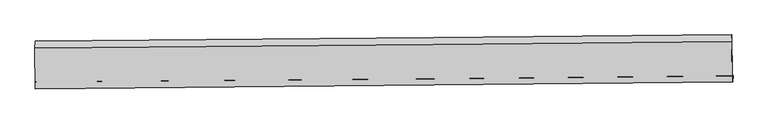
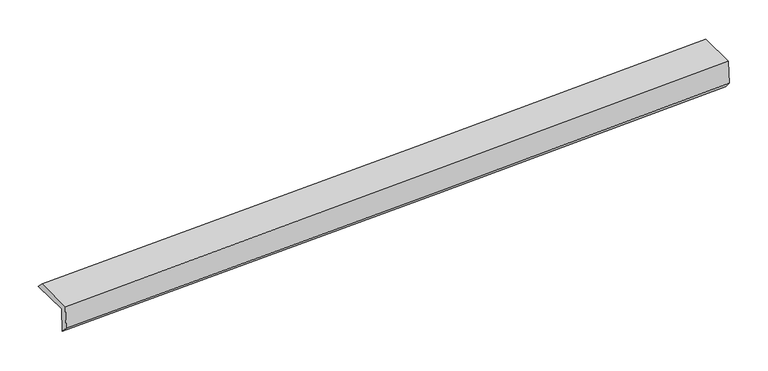
"""IFC4 building model written with IfcOpenShell, lengths in millimetres: proxy geometry."""

import ifcopenshell
import ifcopenshell.guid

model = None  # the IFC model being written
_history = None  # IfcOwnerHistory: only IFC2X3 demands one
_inside = {}  # id of a spatial element -> (the spatial element, [elements in it])
_under = {}  # id of a project, library or spatial element -> (it, [spatial elements below it])
_declared = {}  # id of a project -> (the project, [libraries it declares])
_typed = {}  # id of a type object -> (the type object, [elements of that type])
_made_of = {}  # id of a material, layer set ... -> (it, [elements and type objects made of it])


def new_model(schema):
    """Start an empty IFC model of exactly this schema.

    Asked for "IFC4X3", IfcOpenShell would pick the latest addendum, in which some entities
    have other attributes; the version numbers below select the first issue.
    IFC2X3 requires an IfcOwnerHistory on every rooted entity: one is made here for all.
    """
    global model, _history
    if schema == "IFC4X3":
        model = ifcopenshell.file(schema_version=(4, 3, 0, 0))
    else:
        model = ifcopenshell.file(schema=schema)
    _inside.clear()
    _under.clear()
    _declared.clear()
    _typed.clear()
    _made_of.clear()
    _history = None
    if model.schema == "IFC2X3":
        org = make("IfcOrganization", Name="unknown")
        user = make(
            "IfcPersonAndOrganization",
            ThePerson=make("IfcPerson", FamilyName="unknown"),
            TheOrganization=org,
        )
        app = make(
            "IfcApplication",
            ApplicationDeveloper=org,
            Version="unknown",
            ApplicationFullName="unknown",
            ApplicationIdentifier="unknown",
        )
        _history = make(
            "IfcOwnerHistory",
            OwningUser=user,
            OwningApplication=app,
            ChangeAction="ADDED",
            CreationDate=0,
        )
    return model


def make(cls, **values):
    """One entity of the class cls with the attributes given. An attribute that is None is left unset."""
    return model.create_entity(
        cls, **{name: value for name, value in values.items() if value is not None}
    )


def rooted(cls, **values):
    """An entity with a GlobalId (a new one), such as an element, a storey or a relation."""
    return make(cls, GlobalId=ifcopenshell.guid.new(), OwnerHistory=_history, **values)


def si_unit(unit_type, name, prefix=None):
    """IfcSIUnit, for example si_unit("LENGTHUNIT", "METRE", prefix="MILLI")."""
    return make("IfcSIUnit", UnitType=unit_type, Prefix=prefix, Name=name)


def assignment(units):
    """IfcUnitAssignment: the units of a project."""
    return None if units is None else make("IfcUnitAssignment", Units=units)


def point(xyz):
    """IfcCartesianPoint."""
    return None if xyz is None else make("IfcCartesianPoint", Coordinates=xyz)


def direction(xyz):
    """IfcDirection."""
    return None if xyz is None else make("IfcDirection", DirectionRatios=xyz)


def frame(location, z_axis=None, x_axis=None):
    """IfcAxis2Placement3D, a coordinate frame: its origin and axes. An axis left out is left unset."""
    return make(
        "IfcAxis2Placement3D",
        Location=point(location),
        Axis=direction(z_axis),
        RefDirection=direction(x_axis),
    )


def origin():
    """The frame at (0, 0, 0) with its axes left unset."""
    return frame((0.0, 0.0, 0.0))


def place(relative_to, where):
    """IfcLocalPlacement: puts the frame where relative to a parent placement (None: the world)."""
    return make(
        "IfcLocalPlacement", PlacementRelTo=relative_to, RelativePlacement=where
    )


def context(
    kind, dimensions, precision=None, world=None, true_north=None, identifier=None
):
    """IfcGeometricRepresentationContext, for example the 3D "Model" context."""
    return make(
        "IfcGeometricRepresentationContext",
        ContextIdentifier=identifier,
        ContextType=kind,
        CoordinateSpaceDimension=dimensions,
        Precision=precision,
        WorldCoordinateSystem=world,
        TrueNorth=true_north,
    )


def project(units=None, contexts=None):
    """IfcProject with its units and contexts."""
    return rooted(
        "IfcProject",
        Name="project",
        RepresentationContexts=contexts,
        UnitsInContext=assignment(units),
    )


def spatial(cls, under=None, at=None, **own):
    """A site, building, storey or space (cls), placed at a placement, below another one or the project."""
    s = rooted(cls, ObjectPlacement=at, **own)
    if under is not None:
        _under.setdefault(under.id(), (under, []))[1].append(s)
    return s


def shape(context_of_items, identifier, shape_type, items):
    """IfcShapeRepresentation: the items that make up one representation, for example the "Body"."""
    return make(
        "IfcShapeRepresentation",
        ContextOfItems=context_of_items,
        RepresentationIdentifier=identifier,
        RepresentationType=shape_type,
        Items=items,
    )


def source(mapping_origin, context_of_items, identifier, shape_type, items):
    """IfcRepresentationMap: a shape defined once, which mapped items show again and again."""
    return make(
        "IfcRepresentationMap",
        MappingOrigin=mapping_origin,
        MappedRepresentation=shape(context_of_items, identifier, shape_type, items),
    )


def transform(
    local_origin,
    x_axis=None,
    y_axis=None,
    z_axis=None,
    scale=None,
    scale2=None,
    scale3=None,
    uniform=True,
):
    """IfcCartesianTransformationOperator3D, or its non-uniform kind. x_axis, y_axis, z_axis: its Axis1, 2, 3."""
    if uniform:
        return make(
            "IfcCartesianTransformationOperator3D",
            Axis1=direction(x_axis),
            Axis2=direction(y_axis),
            LocalOrigin=point(local_origin),
            Scale=scale,
            Axis3=direction(z_axis),
        )
    return make(
        "IfcCartesianTransformationOperator3DnonUniform",
        Axis1=direction(x_axis),
        Axis2=direction(y_axis),
        LocalOrigin=point(local_origin),
        Scale=scale,
        Axis3=direction(z_axis),
        Scale2=scale2,
        Scale3=scale3,
    )


def mapped(mapping_source, mapping_target):
    """IfcMappedItem: shows the shape of a source again, moved by a transform."""
    return make(
        "IfcMappedItem", MappingSource=mapping_source, MappingTarget=mapping_target
    )


def made_of(thing, what):
    """Note that an element or type object is made of a material, layer set ...; save() writes the relation."""
    if what is not None:
        _made_of.setdefault(what.id(), (what, []))[1].append(thing)
    return thing


def element(
    cls,
    number,
    at=None,
    inside=None,
    cuts=None,
    type_object=None,
    material=None,
    context=None,
    identifier="Body",
    shape_type=None,
    held_by="IfcProductDefinitionShape",
    body=None,
    shapes=None,
    **own,
):
    """One element of the class cls, such as IfcWall. Its Tag is "e" and its number.

    at: its placement. inside: the storey or other place that contains it. cuts: it is an
    opening in that element (IfcRelVoidsElement). A single representation is given by context,
    identifier, shape_type and body (its items); several are given by shapes. held_by: the class
    of the entity that holds the representations. save() writes the other relations.
    """
    e = rooted(cls, Tag="e%d" % number, ObjectPlacement=at, **own)
    if body is not None:
        shapes = [shape(context, identifier, shape_type, body)]
    if shapes is not None:
        e.Representation = make(held_by, Representations=shapes)
    if inside is not None:
        _inside.setdefault(inside.id(), (inside, []))[1].append(e)
    if cuts is not None:
        rooted(
            "IfcRelVoidsElement", RelatingBuildingElement=cuts, RelatedOpeningElement=e
        )
    if type_object is not None:
        _typed.setdefault(type_object.id(), (type_object, []))[1].append(e)
    return made_of(e, material)


def aggregate(whole, parts):
    """IfcRelAggregates: a whole, such as a stair, and the parts it consists of."""
    return rooted("IfcRelAggregates", RelatingObject=whole, RelatedObjects=parts)


def save(model, path):
    """Write the relations noted so far, then the file.

    IfcRelAggregates (storeys below a building ...), IfcRelContainedInSpatialStructure (elements
    in a storey), IfcRelDefinesByType, IfcRelAssociatesMaterial and IfcRelDeclares: one each for
    every whole, place, type object, material and project.
    """
    for whole, parts in _under.values():
        aggregate(whole, parts)
    for where, things in _inside.values():
        rooted(
            "IfcRelContainedInSpatialStructure",
            RelatedElements=things,
            RelatingStructure=where,
        )
    for kind, things in _typed.values():
        rooted("IfcRelDefinesByType", RelatedObjects=things, RelatingType=kind)
    for what, things in _made_of.values():
        rooted("IfcRelAssociatesMaterial", RelatedObjects=things, RelatingMaterial=what)
    for by, libraries in _declared.values():
        rooted("IfcRelDeclares", RelatingContext=by, RelatedDefinitions=libraries)
    model.write(path)


def plane_surface(at):
    """IfcPlane: the flat surface through the origin of the frame at, square to its z axis."""
    return make("IfcPlane", Position=at)


def spline_curve(degree, points, multiplicities, knots, weights=None):
    """IfcBSplineCurveWithKnots; with weights, IfcRationalBSplineCurveWithKnots."""
    own = dict(
        Degree=degree,
        ControlPointsList=[point(p) for p in points],
        CurveForm="UNSPECIFIED",
        ClosedCurve=False,
        SelfIntersect=False,
        KnotMultiplicities=multiplicities,
        Knots=knots,
        KnotSpec="UNSPECIFIED",
    )
    if weights is None:
        return make("IfcBSplineCurveWithKnots", **own)
    return make("IfcRationalBSplineCurveWithKnots", WeightsData=weights, **own)


def spline_surface(u_degree, v_degree, points, u_multiplicities, v_multiplicities, u_knots, v_knots, weights=None):
    """IfcBSplineSurfaceWithKnots; with weights, IfcRationalBSplineSurfaceWithKnots. points: one row for each step in u."""
    own = dict(
        UDegree=u_degree,
        VDegree=v_degree,
        ControlPointsList=[[point(p) for p in row] for row in points],
        SurfaceForm="UNSPECIFIED",
        UClosed=False,
        VClosed=False,
        SelfIntersect=False,
        UMultiplicities=u_multiplicities,
        VMultiplicities=v_multiplicities,
        UKnots=u_knots,
        VKnots=v_knots,
        KnotSpec="UNSPECIFIED",
    )
    if weights is None:
        return make("IfcBSplineSurfaceWithKnots", **own)
    return make("IfcRationalBSplineSurfaceWithKnots", WeightsData=weights, **own)


def advanced_brep(points, edges, surfaces, faces):
    """IfcAdvancedBrep: a solid bounded by faces that lie on surfaces and meet in shared edges.

    An edge is (start, end): straight between two places in points (the first is 0);
    or (start, end, curve); or (start, end, curve, False) where it runs against its curve.
    A face is (place in surfaces, loops), or (place, loops, False) where it looks against
    its surface's normal. A loop lists edges by number (the first is 1), with a minus sign
    where the edge is run from its end to its start. The first loop is the outer one.
    """
    corners = [point(p) for p in points]
    vertices = [make("IfcVertexPoint", VertexGeometry=c) for c in corners]
    made = []
    for start, end, *more in edges:
        made.append(
            make(
                "IfcEdgeCurve",
                EdgeStart=vertices[start],
                EdgeEnd=vertices[end],
                EdgeGeometry=more[0] if more else make("IfcPolyline", Points=[corners[start], corners[end]]),
                SameSense=more[1] if len(more) > 1 else True,
            )
        )
    hull = []
    for where, loops, *sense in faces:
        bounds = []
        for j, loop in enumerate(loops):
            ring = [make("IfcOrientedEdge", EdgeElement=made[abs(k) - 1], Orientation=k > 0) for k in loop]
            bounds.append(
                make(
                    "IfcFaceOuterBound" if j == 0 else "IfcFaceBound",
                    Bound=make("IfcEdgeLoop", EdgeList=ring),
                    Orientation=True,
                )
            )
        hull.append(make("IfcAdvancedFace", Bounds=bounds, FaceSurface=surfaces[where], SameSense=sense[0] if sense else True))
    return make("IfcAdvancedBrep", Outer=make("IfcClosedShell", CfsFaces=hull))


def generic_models_4038b9fb(model_context):
    return source(origin(), model_context, "Body", "AdvancedBrep", [
        advanced_brep(
        [(-5941.2712549, -1868.8612795, 1438.0836478), (-5954.898834, -1871.0359742, 1846.9089604), (5393.9605874, -1771.0182789, 2225.7382124), (5407.5881665, -1768.8435842, 1816.9128998), (-5944.2071087, -1982.7666357, 1560.5927041), (5404.5493103, -1872.7495947, 1939.4717129), (-5957.5069836, -1984.8890353, 1959.5869424), (5391.2494353, -1874.8719943, 2338.4659512), (-5964.4160206, -1314.1688971, 1962.9244512), (5384.4434009, -1214.1512018, 2341.7537032), (-5961.8018358, -1200.9017235, 1850.2435539), (5387.0575857, -1100.8840282, 2229.0728058)],
        [
            (0, 1),
            (1, 2, spline_curve(3, [(-5954.898834, -1871.0359742, 1846.9089604), (-3790.851695599, -1856.905650058, 1907.432235914), (-1627.055592077, -1839.951337188, 1974.646474775), (2155.787136446, -1805.37003674, 2103.86576436), (3774.944173088, -1788.985117739, 2162.92794289), (5393.9605874, -1771.0182789, 2225.7382124)], [4, 2, 4], [0.0, 21.308124153699627, 37.256114355045604])),
            (2, 3),
            (3, 0, spline_curve(3, [(5407.5881665, -1768.8435842, 1816.9128998), (3788.474670924, -1786.825914916, 1757.015049071), (2169.262110195, -1803.219694742, 1699.618588697), (-1613.613247232, -1837.806202353, 1571.378165019), (-3777.353826864, -1854.75165478, 1502.498208685), (-5941.2712549, -1868.8612795, 1438.0836478)], [4, 2, 4], [0.0, 15.947990201345977, 37.256114355045604])),
            (4, 0),
            (3, 5),
            (5, 4, spline_curve(3, [(5404.5493103, -1872.7495947, 1939.4717129), (3785.424814985, -1889.664053, 1879.579175581), (2166.212254093, -1906.057832425, 1822.182715471), (-1616.637406686, -1943.138998691, 1693.929878514), (-3780.343651852, -1963.417565875, 1625.033336685), (-5944.2071087, -1982.7666357, 1560.5927041)], [4, 2, 4], [0.0, 15.947958333123399, 37.25603990766197])),
            (6, 4),
            (5, 7),
            (7, 6, spline_curve(3, [(5391.2494353, -1874.8719943, 2338.4659512), (3772.027859023, -1891.8019449, 2281.485832997), (2152.759773478, -1908.204584943, 2225.755090449), (-1630.122515587, -1945.290957869, 2098.481120004), (-3793.773236694, -1965.560664658, 2027.91886014), (-5957.5069836, -1984.8890353, 1959.5869424)], [4, 2, 4], [0.0, 15.947936226563598, 37.25598826450759])),
            (8, 6),
            (7, 9),
            (9, 8, spline_curve(3, [(5384.4434009, -1214.1512018, 2341.7537032), (3765.23282454, -1232.149024909, 2284.768270922), (2145.964739334, -1248.55166529, 2229.037528395), (-1636.943247439, -1283.14337949, 2101.775972117), (-3800.62830267, -1300.079971079, 2031.23029704), (-5964.4160206, -1314.1688971, 1962.9244512)], [4, 2, 4], [0.0, 15.947935544983299, 37.25598667226724])),
            (10, 8),
            (9, 11),
            (11, 10, spline_curve(3, [(5387.0575857, -1100.8840282, 2229.0728058), (3768.041171728, -1118.850866893, 2166.262536188), (2148.884134636, -1135.235785979, 2107.200358033), (-1633.95859363, -1169.817086569, 1977.981068044), (-3797.754697374, -1186.771399608, 1910.766829092), (-5961.8018358, -1200.9017235, 1850.2435539)], [4, 2, 4], [0.0, 15.947973085205685, 37.25607437001476])),
            (1, 10),
            (11, 2),
        ],
        [
            spline_surface(3, 3, [[(-5941.2712549, -1868.8612795, 1438.0836478), (-3777.353826843, -1854.751654477, 1502.498208527), (-1613.613247316, -1837.806202344, 1571.378165366), (2169.262110258, -1803.219694749, 1699.618588437), (3788.47467116, -1786.825915114, 1757.015048938), (5407.5881665, -1768.8435842, 1816.9128998)], [(-5945.813781265, -1869.58617774, 1574.35875198), (-3781.853116487, -1855.469652984, 1637.476217627), (-1618.094028889, -1838.521247325, 1705.800935145), (2164.770452335, -1803.936475382, 1834.367647069), (3783.964505166, -1787.545649273, 1892.31934689), (5403.045640135, -1769.56848244, 1953.18800398)], [(-5950.356307635, -1870.31107596, 1710.63385622), (-3786.352406138, -1856.187651469, 1772.454226787), (-1622.574810504, -1839.236292315, 1840.223704971), (2160.278794369, -1804.653256025, 1969.116705747), (3779.454339166, -1788.265383411, 2027.623644902), (5398.503113765, -1770.29338066, 2089.46310822)], [(-5954.898834, -1871.0359742, 1846.9089604), (-3790.851695782, -1856.905649976, 1907.432235886), (-1627.055592078, -1839.951337296, 1974.64647475), (2155.787136446, -1805.370036658, 2103.865764379), (3774.944173172, -1788.98511757, 2162.927942855), (5393.9605874, -1771.0182789, 2225.7382124)]], [4, 4], [4, 2, 4], [0.0, 1.3253033907081546], [0.0, 21.308124153699627, 37.256114355045604]),
            spline_surface(3, 3, [[(-5944.2071087, -1982.7666357, 1560.5927041), (-3780.343651764, -1963.417565845, 1625.033336347), (-1616.637406406, -1943.13899849, 1693.929878769), (2166.212253883, -1906.057832576, 1822.18271528), (3785.424814885, -1889.664052941, 1879.579175781), (5404.5493103, -1872.7495947, 1939.4717129)], [(-5943.228490784, -1944.798183619, 1519.756352024), (-3779.347043475, -1927.195595374, 1584.188293764), (-1615.629353394, -1908.028066432, 1653.07930765), (2167.228872656, -1871.778453291, 1781.328006348), (3786.441433658, -1855.384673656, 1838.724466849), (5405.562262381, -1838.114257857, 1898.618775216)], [(-5942.249872816, -1906.829731581, 1478.919999876), (-3778.350435133, -1890.973624948, 1543.34325111), (-1614.621300327, -1872.917134402, 1612.228736485), (2168.245491485, -1837.499074034, 1740.473297369), (3787.458052387, -1821.105294399, 1797.86975787), (5406.575214419, -1803.478921043, 1857.765837484)], [(-5941.2712549, -1868.8612795, 1438.0836478), (-3777.353826843, -1854.751654477, 1502.498208527), (-1613.613247316, -1837.806202344, 1571.378165366), (2169.262110258, -1803.219694749, 1699.618588437), (3788.47467116, -1786.825915114, 1757.015048938), (5407.5881665, -1768.8435842, 1816.9128998)]], [4, 4], [4, 2, 4], [0.0, 0.5285780950649006], [0.0, 21.308081574538573, 37.25603990766197]),
            spline_surface(3, 3, [[(-5957.5069836, -1984.8890353, 1959.5869424), (-3793.773236826, -1965.560664647, 2027.918859887), (-1630.122515744, -1945.290957838, 2098.481120285), (2152.759773595, -1908.204584967, 2225.755090239), (3772.027858773, -1891.801944785, 2281.485832764), (5391.2494353, -1874.8719943, 2338.4659512)], [(-5953.073691944, -1984.18156878, 1826.58886297), (-3789.29670845, -1964.846298392, 1893.623685377), (-1625.627479297, -1944.573638058, 1963.630706454), (2157.243933692, -1907.489000839, 2091.23096526), (3776.4935108, -1891.089314184, 2147.516947106), (5395.682726956, -1874.16452778, 2205.46787177)], [(-5948.640400356, -1983.47410222, 1693.59078353), (-3784.820180141, -1964.131932099, 1759.328510857), (-1621.132442853, -1943.856318269, 1828.7802926), (2161.728093786, -1906.773416703, 1956.706840259), (3780.959162859, -1890.376683543, 2013.548061438), (5400.116018644, -1873.45706122, 2072.46979233)], [(-5944.2071087, -1982.7666357, 1560.5927041), (-3780.343651764, -1963.417565845, 1625.033336347), (-1616.637406406, -1943.13899849, 1693.929878769), (2166.212253883, -1906.057832576, 1822.18271528), (3785.424814885, -1889.664052941, 1879.579175781), (5404.5493103, -1872.7495947, 1939.4717129)]], [4, 4], [4, 2, 4], [0.0, 1.3265327047513369], [0.0, 21.308052037943995, 37.25598826450759]),
            spline_surface(3, 3, [[(-5964.4160206, -1314.1688971, 1962.9244512), (-3800.628302705, -1300.079971278, 2031.230297167), (-1636.943247354, -1283.143379692, 2101.775971982), (2145.96473927, -1248.551665139, 2229.037528496), (3765.232824448, -1232.149024958, 2284.768271021), (5384.4434009, -1214.1512018, 2341.7537032)], [(-5962.113008292, -1537.742276505, 1961.811948251), (-3798.343280771, -1521.906869073, 2030.126484725), (-1634.669670142, -1503.859239074, 2100.677688076), (2148.22975072, -1468.435971748, 2227.943382403), (3767.497835899, -1452.033331567, 2283.674124928), (5386.712079042, -1434.391465966, 2340.65778586)], [(-5959.809995908, -1761.315655895, 1960.699445349), (-3796.05825876, -1743.733766852, 2029.022672329), (-1632.396092956, -1724.575098456, 2099.579404191), (2150.494762144, -1688.320278358, 2226.849236331), (3769.762847323, -1671.917638177, 2282.579978856), (5388.980757158, -1654.631730134, 2339.56186854)], [(-5957.5069836, -1984.8890353, 1959.5869424), (-3793.773236826, -1965.560664647, 2027.918859887), (-1630.122515744, -1945.290957838, 2098.481120285), (2152.759773595, -1908.204584967, 2225.755090239), (3772.027858773, -1891.801944785, 2281.485832764), (5391.2494353, -1874.8719943, 2338.4659512)]], [4, 4], [4, 2, 4], [0.0, 2.169924242398249], [0.0, 21.308051127283942, 37.25598667226724]),
            spline_surface(3, 3, [[(-5961.8018358, -1200.9017235, 1850.2435539), (-3797.754697582, -1186.771399276, 1910.766829386), (-1633.958593778, -1169.817086596, 1977.98106825), (2148.884134746, -1135.235785958, 2107.200357879), (3768.041171472, -1118.85086687, 2166.262536255), (5387.0575857, -1100.8840282, 2229.0728058)], [(-5962.673230734, -1238.657448036, 1887.80385302), (-3798.712565957, -1224.540923279, 1950.921318666), (-1634.953478294, -1207.592517651, 2019.246036171), (2147.911002929, -1173.007745708, 2147.812748095), (3767.105055797, -1156.616919569, 2205.76444783), (5386.186190766, -1138.639752736, 2266.63310492)], [(-5963.544625666, -1276.413172564, 1925.36415208), (-3799.67043433, -1262.310447275, 1991.075807887), (-1635.948362837, -1245.367948637, 2060.51100406), (2146.937871087, -1210.779705389, 2188.425138279), (3766.168940124, -1194.382972259, 2245.266359446), (5385.314795834, -1176.395477264, 2304.19340408)], [(-5964.4160206, -1314.1688971, 1962.9244512), (-3800.628302705, -1300.079971278, 2031.230297167), (-1636.943247354, -1283.143379692, 2101.775971982), (2145.96473927, -1248.551665139, 2229.037528496), (3765.232824448, -1232.149024958, 2284.768271021), (5384.4434009, -1214.1512018, 2341.7537032)]], [4, 4], [4, 2, 4], [0.0, 0.5485144585749216], [0.0, 21.308101284809073, 37.25607437001476]),
            spline_surface(3, 3, [[(-5954.898834, -1871.0359742, 1846.9089604), (-3790.851695782, -1856.905649976, 1907.432235886), (-1627.055592078, -1839.951337296, 1974.64647475), (2155.787136446, -1805.370036658, 2103.865764379), (3774.944173172, -1788.98511757, 2162.927942855), (5393.9605874, -1771.0182789, 2225.7382124)], [(-5957.19983458, -1647.65789062, 1848.020491555), (-3793.152696362, -1633.527566396, 1908.543767041), (-1629.356592658, -1616.573253717, 1975.758005905), (2153.486135866, -1581.991953078, 2104.977295534), (3772.643172592, -1565.60703399, 2164.03947401), (5391.65958682, -1547.64019532, 2226.849743555)], [(-5959.50083522, -1424.27980708, 1849.132022745), (-3795.453697001, -1410.149482855, 1909.655298231), (-1631.657593198, -1393.195170176, 1976.869537095), (2151.185135326, -1358.613869538, 2106.088826724), (3770.342172052, -1342.22895045, 2165.1510051), (5389.35858628, -1324.26211178, 2227.961274645)], [(-5961.8018358, -1200.9017235, 1850.2435539), (-3797.754697582, -1186.771399276, 1910.766829386), (-1633.958593778, -1169.817086596, 1977.98106825), (2148.884134746, -1135.235785958, 2107.200357879), (3768.041171472, -1118.85086687, 2166.262536255), (5387.0575857, -1100.8840282, 2229.0728058)]], [4, 4], [4, 2, 4], [0.0, 2.198747045386874], [0.0, 21.30815210451764, 37.25616322555456]),
            plane_surface(frame((5394.808081, -1600.4197803, 2148.5692142), z_axis=(0.9993918386392999, 0.010128624013496108, 0.03336710710794089), x_axis=(0.0103002496595748, -0.9999345715796888, -0.00497568253556488))),
            plane_surface(frame((-5954.0170063, -1703.7705909, 1769.7233766), z_axis=(-0.9993918386392999, -0.010128624013493659, -0.03336710710794022), x_axis=(0.03331452713321855, 0.005316346051333294, -0.9994307773660728))),
        ],
        [
            (0, [[1, 2, 3, 4]]),
            (1, [[5, -4, 6, 7]]),
            (2, [[8, -7, 9, 10]]),
            (3, [[11, -10, 12, 13]]),
            (4, [[14, -13, 15, 16]]),
            (5, [[17, -16, 18, -2]]),
            (6, [[-12, -9, -6, -3, -18, -15]]),
            (7, [[-1, -5, -8, -11, -14, -17]]),
        ],
    ),
    ])


if __name__ == "__main__":
    model = new_model("IFC4")
    model_context = context("Model", 3, world=origin())
    ifc_project = project(units=[si_unit("LENGTHUNIT", "METRE", prefix="MILLI")], contexts=[model_context])
    site = spatial("IfcSite", under=ifc_project)
    building = spatial("IfcBuilding", under=site)
    placement = place(None, origin())
    generic_models_shape = generic_models_4038b9fb(model_context)
    element("IfcBuildingElementProxy", 1, Name="Generic Models", at=placement, inside=building, context=model_context, shape_type="MappedRepresentation", body=[
        mapped(generic_models_shape, transform((0.0, 0.0, 0.0), x_axis=(1.0, 0.0, 0.0), y_axis=(0.0, 1.0, 0.0), z_axis=(0.0, 0.0, 1.0))),
    ])
    save(model, "model.ifc")
